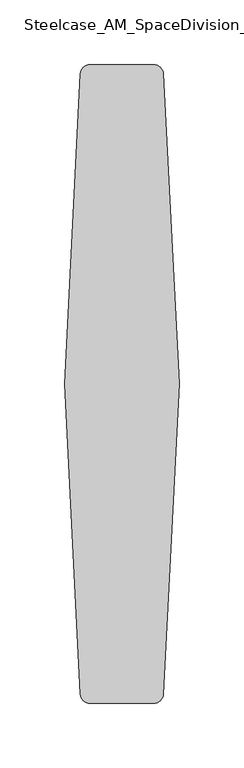
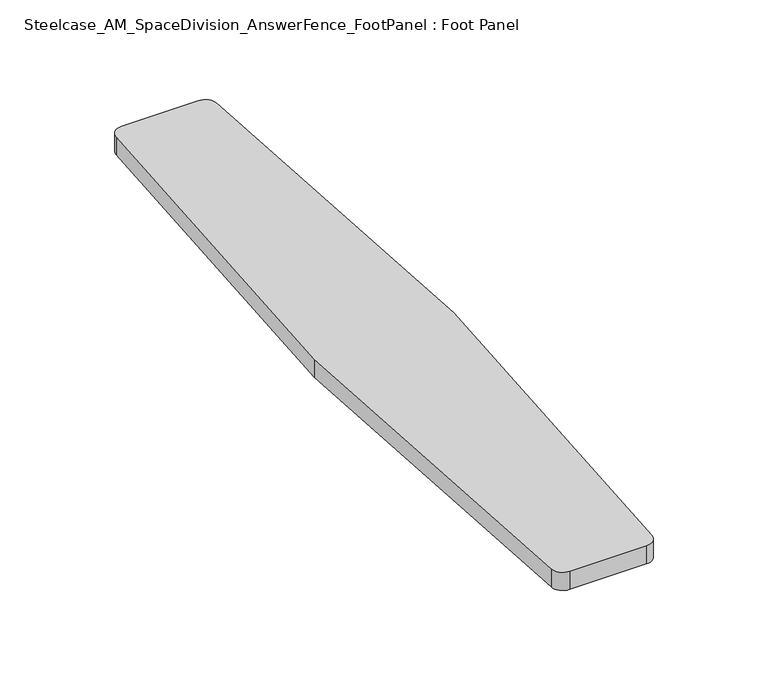
"""IFC4 building model written with IfcOpenShell, lengths in millimetres: furniture geometry, Steelcase_AM_SpaceDivision_AnswerFence_FootPanel : Foot Panel."""

from ifc_helpers import new_model, si_unit, point, frame, frame_2d, origin, origin_with_axes, place, context, project, spatial, polyline, circle_curve, trimmed, segment, composite_curve, outline, extrude, source, transform, mapped, element, save


def steelcase_am_spacedivision_answerfence_footpanel_foot_panel_0da6e12f(model_context):
    return source(origin(), model_context, "Body", "SweptSolid", [
        extrude(outline(composite_curve([segment(trimmed(circle_curve(frame_2d((-38.1, 133.3684287)), 19.05), [point((-57.15, 133.3684287))], [point((-19.05, 133.3684287))], False, "CARTESIAN"), True, "CONTINUOUS"), segment(trimmed(circle_curve(frame_2d((-38.1, 133.3684287)), 19.05), [point((-19.05, 133.3684287))], [point((-57.15, 133.3684287))], False, "CARTESIAN"), True, "CONTINUOUS")], self_intersect=False)), origin_with_axes(), (0.0, 0.0, 1.0), 3.180088),
        extrude(outline(composite_curve([segment(trimmed(circle_curve(frame_2d((-38.1, -285.9552342)), 19.05), [point((-57.15, -285.9552342))], [point((-19.05, -285.9552342))], False, "CARTESIAN"), True, "CONTINUOUS"), segment(trimmed(circle_curve(frame_2d((-38.1, -285.9552342)), 19.05), [point((-19.05, -285.9552342))], [point((-57.15, -285.9552342))], False, "CARTESIAN"), True, "CONTINUOUS")], self_intersect=False)), origin_with_axes(), (0.0, 0.0, 1.0), 3.180088),
        extrude(outline(composite_curve([segment(polyline([(5.5548438, -76.3929358), (-6.7694674, -316.8130368)]), True, "CONTINUOUS"), segment(trimmed(circle_curve(frame_2d((-14.3794754, -316.4229358)), 7.62), [point((-6.7694674, -316.8130368))], [point((-14.3794754, -324.0429358))], False, "CARTESIAN"), True, "CONTINUOUS"), segment(polyline([(-14.3794754, -324.0429358), (-63.410831, -324.0429358)]), True, "CONTINUOUS"), segment(trimmed(circle_curve(frame_2d((-63.410831, -316.4229358)), 7.62), [point((-63.410831, -324.0429358))], [point((-71.020839, -316.813037))], False, "CARTESIAN"), True, "CONTINUOUS"), segment(polyline([(-71.020839, -316.813037), (-83.3451562, -76.3929358), (-71.020839, 164.0271653)]), True, "CONTINUOUS"), segment(trimmed(circle_curve(frame_2d((-63.410831, 163.6370642)), 7.62), [point((-71.020839, 164.0271653))], [point((-63.410831, 171.2570642))], False, "CARTESIAN"), True, "CONTINUOUS"), segment(polyline([(-63.410831, 171.2570642), (-14.3794754, 171.2570642)]), True, "CONTINUOUS"), segment(trimmed(circle_curve(frame_2d((-14.3794754, 163.6370642)), 7.62), [point((-14.3794754, 171.2570642))], [point((-6.7694674, 164.0271651))], False, "CARTESIAN"), True, "CONTINUOUS"), segment(polyline([(-6.7694674, 164.0271651), (5.5548438, -76.3929358)]), True, "CONTINUOUS")], self_intersect=False)), frame((0.0, 0.0, 3.180088), z_axis=(0.0, 0.0, 1.0), x_axis=(1.0, 0.0, 0.0)), (0.0, 0.0, 1.0), 12.313879),
    ])


if __name__ == "__main__":
    model = new_model("IFC4")
    model_context = context("Model", 3, world=origin())
    ifc_project = project(units=[si_unit("LENGTHUNIT", "METRE", prefix="MILLI")], contexts=[model_context])
    site = spatial("IfcSite", under=ifc_project)
    building = spatial("IfcBuilding", under=site)
    placement = place(None, origin())
    steelcase_am_spacedivision_answerfence_footpanel_foot_panel_shape = steelcase_am_spacedivision_answerfence_footpanel_foot_panel_0da6e12f(model_context)
    element("IfcFurniture", 1, ObjectType="Steelcase_AM_SpaceDivision_AnswerFence_FootPanel : Foot Panel", at=placement, inside=building, context=model_context, shape_type="MappedRepresentation", body=[
        mapped(steelcase_am_spacedivision_answerfence_footpanel_foot_panel_shape, transform((0.0, 0.0, 0.0), x_axis=(1.0, 0.0, 0.0), y_axis=(0.0, 1.0, 0.0), z_axis=(0.0, 0.0, 1.0))),
    ])
    save(model, "model.ifc")
